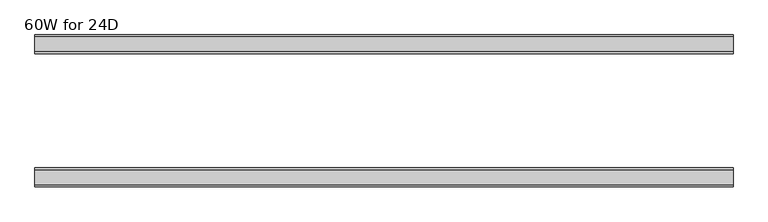
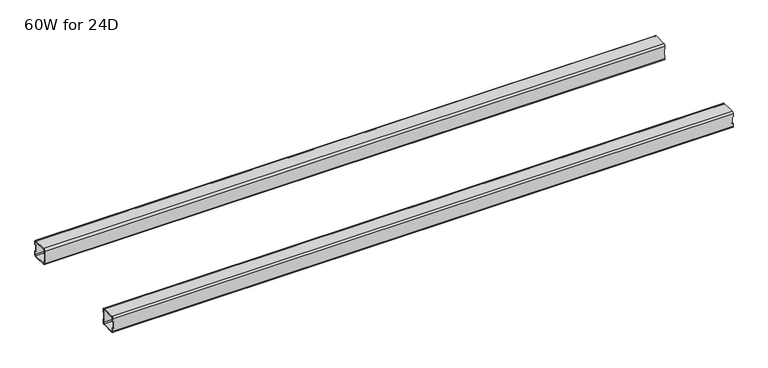
"""IFC4 building model written with IfcOpenShell, lengths in millimetres: furniture geometry, 60W for 24D."""

from ifc_helpers import new_model, si_unit, frame, origin, place, context, project, spatial, polyline, circle_curve, source, transform, mapped, element, save
from ifc_brep_helpers import plane_surface, cylinder_surface, revolved_surface, advanced_brep


def furniture_60w_for_24d_8a289c41(model_context):
    return source(origin(), model_context, "Body", "AdvancedBrep", [
        advanced_brep(
        [(1499.0028, -438.5082, 294.576), (1499.0028, -440.5082, 292.576), (1499.0028, -472.5082, 292.576), (1499.0028, -474.5082, 294.576), (1499.0028, -474.5082, 302.076), (1499.0028, -476.5082, 302.076), (1499.0028, -476.5082, 294.576), (1499.0028, -472.5082, 290.576), (1499.0028, -440.5082, 290.576), (1499.0028, -436.5082, 294.576), (1499.0028, -436.5082, 302.076), (1499.0028, -438.5082, 302.076), (1499.0028, -474.5082, 326.2), (1499.0028, -472.5082, 328.2), (1499.0028, -440.5082, 328.2), (1499.0028, -438.5082, 326.2), (1499.0028, -438.5082, 318.7), (1499.0028, -436.5082, 318.7), (1499.0028, -436.5082, 326.2), (1499.0028, -440.5082, 330.2), (1499.0028, -472.5082, 330.2), (1499.0028, -476.5082, 326.2), (1499.0028, -476.5082, 318.7), (1499.0028, -474.5082, 318.7), (22.0, -438.5082, 326.2), (22.0, -440.5082, 328.2), (22.0, -472.5082, 328.2), (22.0, -474.5082, 326.2), (22.0, -474.5082, 318.7), (22.0, -476.5082, 318.7), (22.0, -476.5082, 326.2), (22.0, -472.5082, 330.2), (22.0, -440.5082, 330.2), (22.0, -436.5082, 326.2), (22.0, -436.5082, 318.7), (22.0, -438.5082, 318.7), (22.0, -474.5082, 294.576), (22.0, -472.5082, 292.576), (22.0, -440.5082, 292.576), (22.0, -438.5082, 294.576), (22.0, -438.5082, 302.076), (22.0, -436.5082, 302.076), (22.0, -436.5082, 294.576), (22.0, -440.5082, 290.576), (22.0, -472.5082, 290.576), (22.0, -476.5082, 294.576), (22.0, -476.5082, 302.076), (22.0, -474.5082, 302.076), (23.365, -474.5082, 302.076), (24.0, -474.5082, 302.711), (24.0, -474.5082, 318.065), (23.365, -474.5082, 318.7), (1497.6378, -474.5082, 318.7), (1497.0028, -474.5082, 318.065), (1497.0028, -474.5082, 302.711), (1497.6378, -474.5082, 302.076), (1497.6378, -438.5082, 302.076), (1497.0028, -438.5082, 302.711), (1497.0028, -438.5082, 318.065), (1497.6378, -438.5082, 318.7), (23.365, -438.5082, 318.7), (24.0, -438.5082, 318.065), (24.0, -438.5082, 302.711), (23.365, -438.5082, 302.076), (23.365, -476.5082, 318.7), (24.0, -476.5082, 318.065), (24.0, -476.5082, 302.711), (23.365, -476.5082, 302.076), (1497.6378, -476.5082, 302.076), (1497.0028, -476.5082, 302.711), (1497.0028, -476.5082, 318.065), (1497.6378, -476.5082, 318.7), (1497.6378, -436.5082, 318.7), (1497.0028, -436.5082, 318.065), (1497.0028, -436.5082, 302.711), (1497.6378, -436.5082, 302.076), (23.365, -436.5082, 302.076), (24.0, -436.5082, 302.711), (24.0, -436.5082, 318.065), (23.365, -436.5082, 318.7)],
        [
            (0, 1, circle_curve(frame((1499.0028, -440.5082, 294.576), z_axis=(-1.0, 0.0, 0.0), x_axis=(0.0, 1.0, 0.0)), 2.0)),
            (1, 2),
            (2, 3, circle_curve(frame((1499.0028, -472.5082, 294.576), z_axis=(-1.0, 0.0, 0.0), x_axis=(0.0, 1.0, 0.0)), 2.0)),
            (3, 4),
            (4, 5),
            (5, 6),
            (6, 7, circle_curve(frame((1499.0028, -472.5082, 294.576), z_axis=(1.0, 0.0, 0.0), x_axis=(0.0, 1.0, 0.0)), 4.0)),
            (7, 8),
            (8, 9, circle_curve(frame((1499.0028, -440.5082, 294.576), z_axis=(1.0, 0.0, 0.0), x_axis=(0.0, 1.0, 0.0)), 4.0)),
            (9, 10),
            (10, 11),
            (11, 0),
            (12, 13, circle_curve(frame((1499.0028, -472.5082, 326.2), z_axis=(-1.0, 0.0, 0.0), x_axis=(0.0, 1.0, 0.0)), 2.0)),
            (13, 14),
            (14, 15, circle_curve(frame((1499.0028, -440.5082, 326.2), z_axis=(-1.0, 0.0, 0.0), x_axis=(0.0, 1.0, 0.0)), 2.0)),
            (15, 16),
            (16, 17),
            (17, 18),
            (18, 19, circle_curve(frame((1499.0028, -440.5082, 326.2), z_axis=(1.0, 0.0, 0.0), x_axis=(0.0, 1.0, 0.0)), 4.0)),
            (19, 20),
            (20, 21, circle_curve(frame((1499.0028, -472.5082, 326.2), z_axis=(1.0, 0.0, 0.0), x_axis=(0.0, 1.0, 0.0)), 4.0)),
            (21, 22),
            (22, 23),
            (23, 12),
            (24, 25, circle_curve(frame((22.0, -440.5082, 326.2), z_axis=(1.0, 0.0, 0.0), x_axis=(0.0, 1.0, 0.0)), 2.0)),
            (25, 26),
            (26, 27, circle_curve(frame((22.0, -472.5082, 326.2), z_axis=(1.0, 0.0, 0.0), x_axis=(0.0, 1.0, 0.0)), 2.0)),
            (27, 28),
            (28, 29),
            (29, 30),
            (30, 31, circle_curve(frame((22.0, -472.5082, 326.2), z_axis=(-1.0, 0.0, 0.0), x_axis=(0.0, 1.0, 0.0)), 4.0)),
            (31, 32),
            (32, 33, circle_curve(frame((22.0, -440.5082, 326.2), z_axis=(-1.0, 0.0, 0.0), x_axis=(0.0, 1.0, 0.0)), 4.0)),
            (33, 34),
            (34, 35),
            (35, 24),
            (36, 37, circle_curve(frame((22.0, -472.5082, 294.576), z_axis=(1.0, 0.0, 0.0), x_axis=(0.0, 1.0, 0.0)), 2.0)),
            (37, 38),
            (38, 39, circle_curve(frame((22.0, -440.5082, 294.576), z_axis=(1.0, 0.0, 0.0), x_axis=(0.0, 1.0, 0.0)), 2.0)),
            (39, 40),
            (40, 41),
            (41, 42),
            (42, 43, circle_curve(frame((22.0, -440.5082, 294.576), z_axis=(-1.0, 0.0, 0.0), x_axis=(0.0, 1.0, 0.0)), 4.0)),
            (43, 44),
            (44, 45, circle_curve(frame((22.0, -472.5082, 294.576), z_axis=(-1.0, 0.0, 0.0), x_axis=(0.0, 1.0, 0.0)), 4.0)),
            (45, 46),
            (46, 47),
            (47, 36),
            (0, 39),
            (38, 1),
            (37, 2),
            (36, 3),
            (47, 48),
            (48, 49, circle_curve(frame((23.365, -474.5082, 302.711), z_axis=(0.0, -1.0, 0.0), x_axis=(1.0, 0.0, 0.0)), 0.635)),
            (49, 50),
            (50, 51, circle_curve(frame((23.365, -474.5082, 318.065), z_axis=(0.0, -1.0, 0.0), x_axis=(1.0, 0.0, 0.0)), 0.635)),
            (51, 28),
            (27, 12),
            (23, 52),
            (52, 53, circle_curve(frame((1497.6378, -474.5082, 318.065), z_axis=(0.0, -1.0, 0.0), x_axis=(1.0, 0.0, 0.0)), 0.635)),
            (53, 54),
            (54, 55, circle_curve(frame((1497.6378, -474.5082, 302.711), z_axis=(0.0, -1.0, 0.0), x_axis=(1.0, 0.0, 0.0)), 0.635)),
            (55, 4),
            (26, 13),
            (25, 14),
            (24, 15),
            (11, 56),
            (56, 57, circle_curve(frame((1497.6378, -438.5082, 302.711), z_axis=(0.0, 1.0, 0.0), x_axis=(1.0, 0.0, 0.0)), 0.635)),
            (57, 58),
            (58, 59, circle_curve(frame((1497.6378, -438.5082, 318.065), z_axis=(0.0, 1.0, 0.0), x_axis=(1.0, 0.0, 0.0)), 0.635)),
            (59, 16),
            (35, 60),
            (60, 61, circle_curve(frame((23.365, -438.5082, 318.065), z_axis=(0.0, 1.0, 0.0), x_axis=(1.0, 0.0, 0.0)), 0.635)),
            (61, 62),
            (62, 63, circle_curve(frame((23.365, -438.5082, 302.711), z_axis=(0.0, 1.0, 0.0), x_axis=(1.0, 0.0, 0.0)), 0.635)),
            (63, 40),
            (18, 33),
            (32, 19),
            (31, 20),
            (30, 21),
            (29, 64),
            (64, 65, circle_curve(frame((23.365, -476.5082, 318.065), z_axis=(0.0, 1.0, 0.0), x_axis=(1.0, 0.0, 0.0)), 0.635)),
            (65, 66),
            (66, 67, circle_curve(frame((23.365, -476.5082, 302.711), z_axis=(0.0, 1.0, 0.0), x_axis=(1.0, 0.0, 0.0)), 0.635)),
            (67, 46),
            (45, 6),
            (5, 68),
            (68, 69, circle_curve(frame((1497.6378, -476.5082, 302.711), z_axis=(0.0, 1.0, 0.0), x_axis=(1.0, 0.0, 0.0)), 0.635)),
            (69, 70),
            (70, 71, circle_curve(frame((1497.6378, -476.5082, 318.065), z_axis=(0.0, 1.0, 0.0), x_axis=(1.0, 0.0, 0.0)), 0.635)),
            (71, 22),
            (44, 7),
            (43, 8),
            (42, 9),
            (17, 72),
            (72, 73, circle_curve(frame((1497.6378, -436.5082, 318.065), z_axis=(0.0, -1.0, 0.0), x_axis=(1.0, 0.0, 0.0)), 0.635)),
            (73, 74),
            (74, 75, circle_curve(frame((1497.6378, -436.5082, 302.711), z_axis=(0.0, -1.0, 0.0), x_axis=(1.0, 0.0, 0.0)), 0.635)),
            (75, 10),
            (41, 76),
            (76, 77, circle_curve(frame((23.365, -436.5082, 302.711), z_axis=(0.0, -1.0, 0.0), x_axis=(1.0, 0.0, 0.0)), 0.635)),
            (77, 78),
            (78, 79, circle_curve(frame((23.365, -436.5082, 318.065), z_axis=(0.0, -1.0, 0.0), x_axis=(1.0, 0.0, 0.0)), 0.635)),
            (79, 34),
            (71, 52),
            (59, 72),
            (70, 53),
            (58, 73),
            (69, 54),
            (57, 74),
            (68, 55),
            (56, 75),
            (51, 64),
            (79, 60),
            (67, 48),
            (63, 76),
            (66, 49),
            (62, 77),
            (65, 50),
            (61, 78),
        ],
        [
            plane_surface(frame((1499.0028, -438.5082, 294.576), z_axis=(1.0, 0.0, 0.0), x_axis=(0.0, 0.0, -1.0))),
            plane_surface(frame((22.0, -438.5082, 294.576), z_axis=(-1.0, 0.0, 0.0), x_axis=(0.0, 0.0, 1.0))),
            revolved_surface(polyline([(22.0, -438.5082, 294.576), (1499.0028, -438.5082, 294.576)]), (22.0, -440.5082, 294.576), (-1.0, 0.0, 0.0)),
            plane_surface(frame((1499.0028, -440.5082, 292.576), z_axis=(0.0, -5.197550723169646e-12, 1.0), x_axis=(-1.0, 0.0, 0.0))),
            revolved_surface(polyline([(22.0, -470.5082, 294.576), (1499.0028, -470.5082, 294.576)]), (22.0, -472.5082, 294.576), (-1.0, 0.0, 0.0)),
            plane_surface(frame((1499.0028, -474.5082, 294.576), z_axis=(0.0, 1.0, 0.0), x_axis=(-1.0, 0.0, 0.0))),
            revolved_surface(polyline([(22.0, -470.5082, 326.2), (1499.0028, -470.5082, 326.2)]), (22.0, -472.5082, 326.2), (-1.0, 0.0, 0.0)),
            plane_surface(frame((1499.0028, -472.5082, 328.2), z_axis=(0.0, 0.0, -1.0), x_axis=(-1.0, 0.0, 0.0))),
            revolved_surface(polyline([(22.0, -438.5082, 326.2), (1499.0028, -438.5082, 326.2)]), (22.0, -440.5082, 326.2), (-1.0, 0.0, 0.0)),
            plane_surface(frame((1499.0028, -438.5082, 326.2), z_axis=(0.0, -1.0, 0.0), x_axis=(-1.0, 0.0, 0.0))),
            cylinder_surface(frame((0.0, -440.5082, 326.2), z_axis=(1.0, 0.0, 0.0), x_axis=(0.0, 1.0, 0.0)), 4.0),
            plane_surface(frame((1499.0028, -440.5082, 330.2), z_axis=(0.0, 0.0, 1.0), x_axis=(-1.0, 0.0, 0.0))),
            cylinder_surface(frame((0.0, -472.5082, 326.2), z_axis=(1.0, 0.0, 0.0), x_axis=(0.0, 1.0, 0.0)), 4.0),
            plane_surface(frame((1499.0028, -476.5082, 326.2), z_axis=(0.0, -1.0, 0.0), x_axis=(-1.0, 0.0, 0.0))),
            cylinder_surface(frame((0.0, -472.5082, 294.576), z_axis=(1.0, 0.0, 0.0), x_axis=(0.0, 1.0, 0.0)), 4.0),
            plane_surface(frame((1499.0028, -472.5082, 290.576), z_axis=(0.0, 0.0, -1.0), x_axis=(-1.0, 0.0, 0.0))),
            cylinder_surface(frame((0.0, -440.5082, 294.576), z_axis=(1.0, 0.0, 0.0), x_axis=(0.0, 1.0, 0.0)), 4.0),
            plane_surface(frame((1499.0028, -436.5082, 294.576), z_axis=(0.0, 1.0, -5.25185763840181e-12), x_axis=(-1.0, 0.0, 0.0))),
            plane_surface(frame((1499.0028, -476.5082, 318.7), z_axis=(1.1255075016270347e-11, 0.0, -1.0), x_axis=(0.0, 1.0, 0.0))),
            revolved_surface(polyline([(1498.2728, -476.5082, 318.065), (1498.2728, -474.5082, 318.065)]), (1497.6378, -436.5082, 318.065), (0.0, -1.0, 0.0)),
            revolved_surface(polyline([(1498.2728, -438.5082, 318.065), (1498.2728, -436.5082, 318.065)]), (1497.6378, -436.5082, 318.065), (0.0, -1.0, 0.0)),
            plane_surface(frame((1497.0028, -476.5082, 318.065), z_axis=(1.0, 0.0, 0.0), x_axis=(0.0, 1.0, 0.0))),
            revolved_surface(polyline([(1498.2728, -476.5082, 302.711), (1498.2728, -474.5082, 302.711)]), (1497.6378, -436.5082, 302.711), (0.0, -1.0, 0.0)),
            revolved_surface(polyline([(1498.2728, -438.5082, 302.711), (1498.2728, -436.5082, 302.711)]), (1497.6378, -436.5082, 302.711), (0.0, -1.0, 0.0)),
            plane_surface(frame((1497.6378, -476.5082, 302.076), z_axis=(0.0, 0.0, 1.0), x_axis=(0.0, 1.0, 0.0))),
            plane_surface(frame((23.365, -476.5082, 318.7), z_axis=(0.0, 0.0, -1.0), x_axis=(0.0, 1.0, 0.0))),
            plane_surface(frame((22.0, -476.5082, 302.076), z_axis=(-1.1478193243270785e-11, 0.0, 1.0), x_axis=(0.0, 1.0, 0.0))),
            revolved_surface(polyline([(24.0, -476.5082, 302.711), (24.0, -474.5082, 302.711)]), (23.365, -436.5082, 302.711), (0.0, -1.0, 0.0)),
            revolved_surface(polyline([(24.0, -438.5082, 302.711), (24.0, -436.5082, 302.711)]), (23.365, -436.5082, 302.711), (0.0, -1.0, 0.0)),
            plane_surface(frame((24.0, -476.5082, 302.711), z_axis=(-1.0, 0.0, 0.0), x_axis=(0.0, 1.0, 0.0))),
            revolved_surface(polyline([(24.0, -476.5082, 318.065), (24.0, -474.5082, 318.065)]), (23.365, -436.5082, 318.065), (0.0, -1.0, 0.0)),
            revolved_surface(polyline([(24.0, -438.5082, 318.065), (24.0, -436.5082, 318.065)]), (23.365, -436.5082, 318.065), (0.0, -1.0, 0.0)),
        ],
        [
            (0, [[1, 2, 3, 4, 5, 6, 7, 8, 9, 10, 11, 12]]),
            (0, [[13, 14, 15, 16, 17, 18, 19, 20, 21, 22, 23, 24]]),
            (1, [[25, 26, 27, 28, 29, 30, 31, 32, 33, 34, 35, 36]]),
            (1, [[37, 38, 39, 40, 41, 42, 43, 44, 45, 46, 47, 48]]),
            (2, [[-1, 49, -39, 50]]),
            (3, [[-2, -50, -38, 51]]),
            (4, [[-3, -51, -37, 52]]),
            (5, [[-52, -48, 53, 54, 55, 56, 57, -28, 58, -24, 59, 60, 61, 62, 63, -4]]),
            (6, [[-13, -58, -27, 64]]),
            (7, [[-14, -64, -26, 65]]),
            (8, [[-15, -65, -25, 66]]),
            (9, [[-49, -12, 67, 68, 69, 70, 71, -16, -66, -36, 72, 73, 74, 75, 76, -40]]),
            (10, [[-19, 77, -33, 78]]),
            (11, [[-20, -78, -32, 79]]),
            (12, [[-21, -79, -31, 80]]),
            (13, [[-80, -30, 81, 82, 83, 84, 85, -46, 86, -6, 87, 88, 89, 90, 91, -22]]),
            (14, [[-7, -86, -45, 92]]),
            (15, [[-8, -92, -44, 93]]),
            (16, [[-9, -93, -43, 94]]),
            (17, [[-77, -18, 95, 96, 97, 98, 99, -10, -94, -42, 100, 101, 102, 103, 104, -34]]),
            (18, [[105, -59, -23, -91]]),
            (18, [[106, -95, -17, -71]]),
            (19, [[-105, -90, 107, -60]]),
            (20, [[-106, -70, 108, -96]]),
            (21, [[-107, -89, 109, -61]]),
            (21, [[-108, -69, 110, -97]]),
            (22, [[-109, -88, 111, -62]]),
            (23, [[-110, -68, 112, -98]]),
            (24, [[-111, -87, -5, -63]]),
            (24, [[-112, -67, -11, -99]]),
            (25, [[113, -81, -29, -57]]),
            (25, [[114, -72, -35, -104]]),
            (26, [[115, -53, -47, -85]]),
            (26, [[116, -100, -41, -76]]),
            (27, [[-115, -84, 117, -54]]),
            (28, [[-116, -75, 118, -101]]),
            (29, [[-117, -83, 119, -55]]),
            (29, [[-118, -74, 120, -102]]),
            (30, [[-113, -56, -119, -82]]),
            (31, [[-114, -103, -120, -73]]),
        ],
    ),
        advanced_brep(
        [(1499.0028, -192.9996202, 326.2), (1499.0028, -190.9996202, 328.2), (1499.0028, -159.0003798, 328.2), (1499.0028, -157.0003798, 326.2), (1499.0028, -157.0003798, 318.7), (1499.0028, -155.0003798, 318.7), (1499.0028, -155.0003798, 326.2), (1499.0028, -159.0003798, 330.2), (1499.0028, -190.9996202, 330.2), (1499.0028, -194.9996202, 326.2), (1499.0028, -194.9996202, 318.7), (1499.0028, -192.9996202, 318.7), (1499.0028, -157.0003798, 294.576), (1499.0028, -159.0003798, 292.576), (1499.0028, -190.9996202, 292.576), (1499.0028, -192.9996202, 294.576), (1499.0028, -192.9996202, 302.076), (1499.0028, -194.9996202, 302.076), (1499.0028, -194.9996202, 294.576), (1499.0028, -190.9996202, 290.576), (1499.0028, -159.0003798, 290.576), (1499.0028, -155.0003798, 294.576), (1499.0028, -155.0003798, 302.076), (1499.0028, -157.0003798, 302.076), (22.0, -192.9996202, 294.576), (22.0, -190.9996202, 292.576), (22.0, -159.0003798, 292.576), (22.0, -157.0003798, 294.576), (22.0, -157.0003798, 302.076), (22.0, -155.0003798, 302.076), (22.0, -155.0003798, 294.576), (22.0, -159.0003798, 290.576), (22.0, -190.9996202, 290.576), (22.0, -194.9996202, 294.576), (22.0, -194.9996202, 302.076), (22.0, -192.9996202, 302.076), (22.0, -157.0003798, 326.2), (22.0, -159.0003798, 328.2), (22.0, -190.9996202, 328.2), (22.0, -192.9996202, 326.2), (22.0, -192.9996202, 318.7), (22.0, -194.9996202, 318.7), (22.0, -194.9996202, 326.2), (22.0, -190.9996202, 330.2), (22.0, -159.0003798, 330.2), (22.0, -155.0003798, 326.2), (22.0, -155.0003798, 318.7), (22.0, -157.0003798, 318.7), (1497.6378, -157.0003798, 302.076), (1497.0028, -157.0003798, 302.711), (1497.0028, -157.0003798, 318.065), (1497.6378, -157.0003798, 318.7), (23.365, -157.0003798, 318.7), (24.0, -157.0003798, 318.065), (24.0, -157.0003798, 302.711), (23.365, -157.0003798, 302.076), (23.365, -192.9996202, 302.076), (24.0, -192.9996202, 302.711), (24.0, -192.9996202, 318.065), (23.365, -192.9996202, 318.7), (1497.6378, -192.9996202, 318.7), (1497.0028, -192.9996202, 318.065), (1497.0028, -192.9996202, 302.711), (1497.6378, -192.9996202, 302.076), (1497.6378, -155.0003798, 318.7), (1497.0028, -155.0003798, 318.065), (1497.0028, -155.0003798, 302.711), (1497.6378, -155.0003798, 302.076), (23.365, -155.0003798, 302.076), (24.0, -155.0003798, 302.711), (24.0, -155.0003798, 318.065), (23.365, -155.0003798, 318.7), (23.365, -194.9996202, 318.7), (24.0, -194.9996202, 318.065), (24.0, -194.9996202, 302.711), (23.365, -194.9996202, 302.076), (1497.6378, -194.9996202, 302.076), (1497.0028, -194.9996202, 302.711), (1497.0028, -194.9996202, 318.065), (1497.6378, -194.9996202, 318.7)],
        [
            (0, 1, circle_curve(frame((1499.0028, -190.9996202, 326.2), z_axis=(-1.0, 0.0, 0.0), x_axis=(0.0, -1.0, 0.0)), 2.0)),
            (1, 2),
            (2, 3, circle_curve(frame((1499.0028, -159.0003798, 326.2), z_axis=(-1.0, 0.0, 0.0), x_axis=(0.0, -1.0, 0.0)), 2.0)),
            (3, 4),
            (4, 5),
            (5, 6),
            (6, 7, circle_curve(frame((1499.0028, -159.0003798, 326.2), z_axis=(1.0, 0.0, 0.0), x_axis=(0.0, -1.0, 0.0)), 4.0)),
            (7, 8),
            (8, 9, circle_curve(frame((1499.0028, -190.9996202, 326.2), z_axis=(1.0, 0.0, 0.0), x_axis=(0.0, -1.0, 0.0)), 4.0)),
            (9, 10),
            (10, 11),
            (11, 0),
            (12, 13, circle_curve(frame((1499.0028, -159.0003798, 294.576), z_axis=(-1.0, 0.0, 0.0), x_axis=(0.0, -1.0, 0.0)), 2.0)),
            (13, 14),
            (14, 15, circle_curve(frame((1499.0028, -190.9996202, 294.576), z_axis=(-1.0, 0.0, 0.0), x_axis=(0.0, -1.0, 0.0)), 2.0)),
            (15, 16),
            (16, 17),
            (17, 18),
            (18, 19, circle_curve(frame((1499.0028, -190.9996202, 294.576), z_axis=(1.0, 0.0, 0.0), x_axis=(0.0, -1.0, 0.0)), 4.0)),
            (19, 20),
            (20, 21, circle_curve(frame((1499.0028, -159.0003798, 294.576), z_axis=(1.0, 0.0, 0.0), x_axis=(0.0, -1.0, 0.0)), 4.0)),
            (21, 22),
            (22, 23),
            (23, 12),
            (24, 25, circle_curve(frame((22.0, -190.9996202, 294.576), z_axis=(1.0, 0.0, 0.0), x_axis=(0.0, -1.0, 0.0)), 2.0)),
            (25, 26),
            (26, 27, circle_curve(frame((22.0, -159.0003798, 294.576), z_axis=(1.0, 0.0, 0.0), x_axis=(0.0, -1.0, 0.0)), 2.0)),
            (27, 28),
            (28, 29),
            (29, 30),
            (30, 31, circle_curve(frame((22.0, -159.0003798, 294.576), z_axis=(-1.0, 0.0, 0.0), x_axis=(0.0, -1.0, 0.0)), 4.0)),
            (31, 32),
            (32, 33, circle_curve(frame((22.0, -190.9996202, 294.576), z_axis=(-1.0, 0.0, 0.0), x_axis=(0.0, -1.0, 0.0)), 4.0)),
            (33, 34),
            (34, 35),
            (35, 24),
            (36, 37, circle_curve(frame((22.0, -159.0003798, 326.2), z_axis=(1.0, 0.0, 0.0), x_axis=(0.0, -1.0, 0.0)), 2.0)),
            (37, 38),
            (38, 39, circle_curve(frame((22.0, -190.9996202, 326.2), z_axis=(1.0, 0.0, 0.0), x_axis=(0.0, -1.0, 0.0)), 2.0)),
            (39, 40),
            (40, 41),
            (41, 42),
            (42, 43, circle_curve(frame((22.0, -190.9996202, 326.2), z_axis=(-1.0, 0.0, 0.0), x_axis=(0.0, -1.0, 0.0)), 4.0)),
            (43, 44),
            (44, 45, circle_curve(frame((22.0, -159.0003798, 326.2), z_axis=(-1.0, 0.0, 0.0), x_axis=(0.0, -1.0, 0.0)), 4.0)),
            (45, 46),
            (46, 47),
            (47, 36),
            (14, 25),
            (24, 15),
            (13, 26),
            (12, 27),
            (23, 48),
            (48, 49, circle_curve(frame((1497.6378, -157.0003798, 302.711), z_axis=(0.0, 1.0, 0.0), x_axis=(1.0, 0.0, 0.0)), 0.635)),
            (49, 50),
            (50, 51, circle_curve(frame((1497.6378, -157.0003798, 318.065), z_axis=(0.0, 1.0, 0.0), x_axis=(1.0, 0.0, 0.0)), 0.635)),
            (51, 4),
            (3, 36),
            (47, 52),
            (52, 53, circle_curve(frame((23.365, -157.0003798, 318.065), z_axis=(0.0, 1.0, 0.0), x_axis=(1.0, 0.0, 0.0)), 0.635)),
            (53, 54),
            (54, 55, circle_curve(frame((23.365, -157.0003798, 302.711), z_axis=(0.0, 1.0, 0.0), x_axis=(1.0, 0.0, 0.0)), 0.635)),
            (55, 28),
            (2, 37),
            (1, 38),
            (0, 39),
            (35, 56),
            (56, 57, circle_curve(frame((23.365, -192.9996202, 302.711), z_axis=(0.0, -1.0, 0.0), x_axis=(1.0, 0.0, 0.0)), 0.635)),
            (57, 58),
            (58, 59, circle_curve(frame((23.365, -192.9996202, 318.065), z_axis=(0.0, -1.0, 0.0), x_axis=(1.0, 0.0, 0.0)), 0.635)),
            (59, 40),
            (11, 60),
            (60, 61, circle_curve(frame((1497.6378, -192.9996202, 318.065), z_axis=(0.0, -1.0, 0.0), x_axis=(1.0, 0.0, 0.0)), 0.635)),
            (61, 62),
            (62, 63, circle_curve(frame((1497.6378, -192.9996202, 302.711), z_axis=(0.0, -1.0, 0.0), x_axis=(1.0, 0.0, 0.0)), 0.635)),
            (63, 16),
            (8, 43),
            (42, 9),
            (7, 44),
            (6, 45),
            (5, 64),
            (64, 65, circle_curve(frame((1497.6378, -155.0003798, 318.065), z_axis=(0.0, -1.0, 0.0), x_axis=(1.0, 0.0, 0.0)), 0.635)),
            (65, 66),
            (66, 67, circle_curve(frame((1497.6378, -155.0003798, 302.711), z_axis=(0.0, -1.0, 0.0), x_axis=(1.0, 0.0, 0.0)), 0.635)),
            (67, 22),
            (21, 30),
            (29, 68),
            (68, 69, circle_curve(frame((23.365, -155.0003798, 302.711), z_axis=(0.0, -1.0, 0.0), x_axis=(1.0, 0.0, 0.0)), 0.635)),
            (69, 70),
            (70, 71, circle_curve(frame((23.365, -155.0003798, 318.065), z_axis=(0.0, -1.0, 0.0), x_axis=(1.0, 0.0, 0.0)), 0.635)),
            (71, 46),
            (20, 31),
            (19, 32),
            (18, 33),
            (41, 72),
            (72, 73, circle_curve(frame((23.365, -194.9996202, 318.065), z_axis=(0.0, 1.0, 0.0), x_axis=(1.0, 0.0, 0.0)), 0.635)),
            (73, 74),
            (74, 75, circle_curve(frame((23.365, -194.9996202, 302.711), z_axis=(0.0, 1.0, 0.0), x_axis=(1.0, 0.0, 0.0)), 0.635)),
            (75, 34),
            (17, 76),
            (76, 77, circle_curve(frame((1497.6378, -194.9996202, 302.711), z_axis=(0.0, 1.0, 0.0), x_axis=(1.0, 0.0, 0.0)), 0.635)),
            (77, 78),
            (78, 79, circle_curve(frame((1497.6378, -194.9996202, 318.065), z_axis=(0.0, 1.0, 0.0), x_axis=(1.0, 0.0, 0.0)), 0.635)),
            (79, 10),
            (51, 64),
            (79, 60),
            (50, 65),
            (78, 61),
            (49, 66),
            (77, 62),
            (48, 67),
            (76, 63),
            (71, 52),
            (59, 72),
            (55, 68),
            (75, 56),
            (54, 69),
            (74, 57),
            (53, 70),
            (73, 58),
        ],
        [
            plane_surface(frame((1499.0028, -192.9996202, 326.2), z_axis=(1.0, 0.0, 0.0), x_axis=(0.0, 0.0, 1.0))),
            plane_surface(frame((22.0, -192.9996202, 326.2), z_axis=(-1.0, 0.0, 0.0), x_axis=(0.0, 0.0, -1.0))),
            revolved_surface(polyline([(22.0, -192.9996202, 294.576), (1499.0028, -192.9996202, 294.576)]), (22.0, -190.9996202, 294.576), (-1.0, 0.0, 0.0)),
            plane_surface(frame((1499.0028, -159.0003798, 292.576), z_axis=(0.0, -1.0141545228491802e-12, 1.0), x_axis=(-1.0, 0.0, 0.0))),
            revolved_surface(polyline([(22.0, -161.0003798, 294.576), (1499.0028, -161.0003798, 294.576)]), (22.0, -159.0003798, 294.576), (-1.0, 0.0, 0.0)),
            plane_surface(frame((1499.0028, -157.0003798, 326.2), z_axis=(0.0, -1.0, 0.0), x_axis=(-1.0, 0.0, 0.0))),
            revolved_surface(polyline([(22.0, -161.0003798, 326.2), (1499.0028, -161.0003798, 326.2)]), (22.0, -159.0003798, 326.2), (-1.0, 0.0, 0.0)),
            plane_surface(frame((1499.0028, -190.9996202, 328.2), z_axis=(0.0, 0.0, -1.0), x_axis=(-1.0, 0.0, 0.0))),
            revolved_surface(polyline([(22.0, -192.9996202, 326.2), (1499.0028, -192.9996202, 326.2)]), (22.0, -190.9996202, 326.2), (-1.0, 0.0, 0.0)),
            plane_surface(frame((1499.0028, -192.9996202, 294.576), z_axis=(0.0, 1.0, 0.0), x_axis=(-1.0, 0.0, 0.0))),
            cylinder_surface(frame((0.0, -190.9996202, 326.2), z_axis=(1.0, 0.0, 0.0), x_axis=(0.0, -1.0, 0.0)), 4.0),
            plane_surface(frame((1499.0028, -159.0003798, 330.2), z_axis=(0.0, 0.0, 1.0), x_axis=(-1.0, 0.0, 0.0))),
            cylinder_surface(frame((0.0, -159.0003798, 326.2), z_axis=(1.0, 0.0, 0.0), x_axis=(0.0, -1.0, 0.0)), 4.0),
            plane_surface(frame((1499.0028, -155.0003798, 294.576), z_axis=(0.0, 1.0, 0.0), x_axis=(-1.0, 0.0, 0.0))),
            cylinder_surface(frame((0.0, -159.0003798, 294.576), z_axis=(1.0, 0.0, 0.0), x_axis=(0.0, -1.0, 0.0)), 4.0),
            plane_surface(frame((1499.0028, -190.9996202, 290.576), z_axis=(0.0, 0.0, -1.0), x_axis=(-1.0, 0.0, 0.0))),
            cylinder_surface(frame((0.0, -190.9996202, 294.576), z_axis=(1.0, 0.0, 0.0), x_axis=(0.0, -1.0, 0.0)), 4.0),
            plane_surface(frame((1499.0028, -194.9996202, 326.2), z_axis=(0.0, -1.0, 1.0326085209912834e-12), x_axis=(-1.0, 0.0, 0.0))),
            plane_surface(frame((1497.6378, -155.0003798, 318.7), z_axis=(-8.800774516254977e-11, 0.0, -1.0), x_axis=(0.0, -1.0, 0.0))),
            revolved_surface(polyline([(1498.2728, -155.0003798, 318.065), (1498.2728, -157.0003798, 318.065)]), (1497.6378, -194.9996202, 318.065), (0.0, 1.0, 0.0)),
            revolved_surface(polyline([(1498.2728, -192.9996202, 318.065), (1498.2728, -194.9996202, 318.065)]), (1497.6378, -194.9996202, 318.065), (0.0, 1.0, 0.0)),
            plane_surface(frame((1497.0028, -155.0003798, 302.711), z_axis=(1.0, 0.0, 7.599253170607055e-12), x_axis=(0.0, -1.0, 0.0))),
            revolved_surface(polyline([(1498.2728, -155.0003798, 302.711), (1498.2728, -157.0003798, 302.711)]), (1497.6378, -194.9996202, 302.711), (0.0, 1.0, 0.0)),
            revolved_surface(polyline([(1498.2728, -192.9996202, 302.711), (1498.2728, -194.9996202, 302.711)]), (1497.6378, -194.9996202, 302.711), (0.0, 1.0, 0.0)),
            plane_surface(frame((1499.0028, -155.0003798, 302.076), z_axis=(0.0, 0.0, 1.0), x_axis=(0.0, -1.0, 0.0))),
            plane_surface(frame((22.0, -155.0003798, 318.7), z_axis=(0.0, 0.0, -1.0), x_axis=(0.0, -1.0, 0.0))),
            plane_surface(frame((23.365, -155.0003798, 302.076), z_axis=(-5.223445608124072e-11, 0.0, 1.0), x_axis=(0.0, -1.0, 0.0))),
            revolved_surface(polyline([(24.0, -155.0003798, 302.711), (24.0, -157.0003798, 302.711)]), (23.365, -194.9996202, 302.711), (0.0, 1.0, 0.0)),
            revolved_surface(polyline([(24.0, -192.9996202, 302.711), (24.0, -194.9996202, 302.711)]), (23.365, -194.9996202, 302.711), (0.0, 1.0, 0.0)),
            plane_surface(frame((24.0, -155.0003798, 318.065), z_axis=(-1.0, 0.0, 3.5288150327146853e-12), x_axis=(0.0, -1.0, 0.0))),
            revolved_surface(polyline([(24.0, -155.0003798, 318.065), (24.0, -157.0003798, 318.065)]), (23.365, -194.9996202, 318.065), (0.0, 1.0, 0.0)),
            revolved_surface(polyline([(24.0, -192.9996202, 318.065), (24.0, -194.9996202, 318.065)]), (23.365, -194.9996202, 318.065), (0.0, 1.0, 0.0)),
        ],
        [
            (0, [[1, 2, 3, 4, 5, 6, 7, 8, 9, 10, 11, 12]]),
            (0, [[13, 14, 15, 16, 17, 18, 19, 20, 21, 22, 23, 24]]),
            (1, [[25, 26, 27, 28, 29, 30, 31, 32, 33, 34, 35, 36]]),
            (1, [[37, 38, 39, 40, 41, 42, 43, 44, 45, 46, 47, 48]]),
            (2, [[-15, 49, -25, 50]]),
            (3, [[-14, 51, -26, -49]]),
            (4, [[-13, 52, -27, -51]]),
            (5, [[-52, -24, 53, 54, 55, 56, 57, -4, 58, -48, 59, 60, 61, 62, 63, -28]]),
            (6, [[-3, 64, -37, -58]]),
            (7, [[-2, 65, -38, -64]]),
            (8, [[-1, 66, -39, -65]]),
            (9, [[-50, -36, 67, 68, 69, 70, 71, -40, -66, -12, 72, 73, 74, 75, 76, -16]]),
            (10, [[-9, 77, -43, 78]]),
            (11, [[-8, 79, -44, -77]]),
            (12, [[-7, 80, -45, -79]]),
            (13, [[-80, -6, 81, 82, 83, 84, 85, -22, 86, -30, 87, 88, 89, 90, 91, -46]]),
            (14, [[-21, 92, -31, -86]]),
            (15, [[-20, 93, -32, -92]]),
            (16, [[-19, 94, -33, -93]]),
            (17, [[-78, -42, 95, 96, 97, 98, 99, -34, -94, -18, 100, 101, 102, 103, 104, -10]]),
            (18, [[105, -81, -5, -57]]),
            (18, [[106, -72, -11, -104]]),
            (19, [[-105, -56, 107, -82]]),
            (20, [[-106, -103, 108, -73]]),
            (21, [[-107, -55, 109, -83]]),
            (21, [[-108, -102, 110, -74]]),
            (22, [[-109, -54, 111, -84]]),
            (23, [[-110, -101, 112, -75]]),
            (24, [[-111, -53, -23, -85]]),
            (24, [[-112, -100, -17, -76]]),
            (25, [[113, -59, -47, -91]]),
            (25, [[114, -95, -41, -71]]),
            (26, [[115, -87, -29, -63]]),
            (26, [[116, -67, -35, -99]]),
            (27, [[-115, -62, 117, -88]]),
            (28, [[-116, -98, 118, -68]]),
            (29, [[-117, -61, 119, -89]]),
            (29, [[-118, -97, 120, -69]]),
            (30, [[-119, -60, -113, -90]]),
            (31, [[-120, -96, -114, -70]]),
        ],
    ),
    ])


if __name__ == "__main__":
    model = new_model("IFC4")
    model_context = context("Model", 3, world=origin())
    ifc_project = project(units=[si_unit("LENGTHUNIT", "METRE", prefix="MILLI")], contexts=[model_context])
    site = spatial("IfcSite", under=ifc_project)
    building = spatial("IfcBuilding", under=site)
    placement = place(None, origin())
    furniture_60w_for_24d_shape = furniture_60w_for_24d_8a289c41(model_context)
    element("IfcFurniture", 1, ObjectType="60W for 24D", at=placement, inside=building, context=model_context, shape_type="MappedRepresentation", body=[
        mapped(furniture_60w_for_24d_shape, transform((0.0, 0.0, 0.0), x_axis=(1.0, 0.0, 0.0), y_axis=(0.0, 1.0, 0.0), z_axis=(0.0, 0.0, 1.0))),
    ])
    save(model, "model.ifc")
